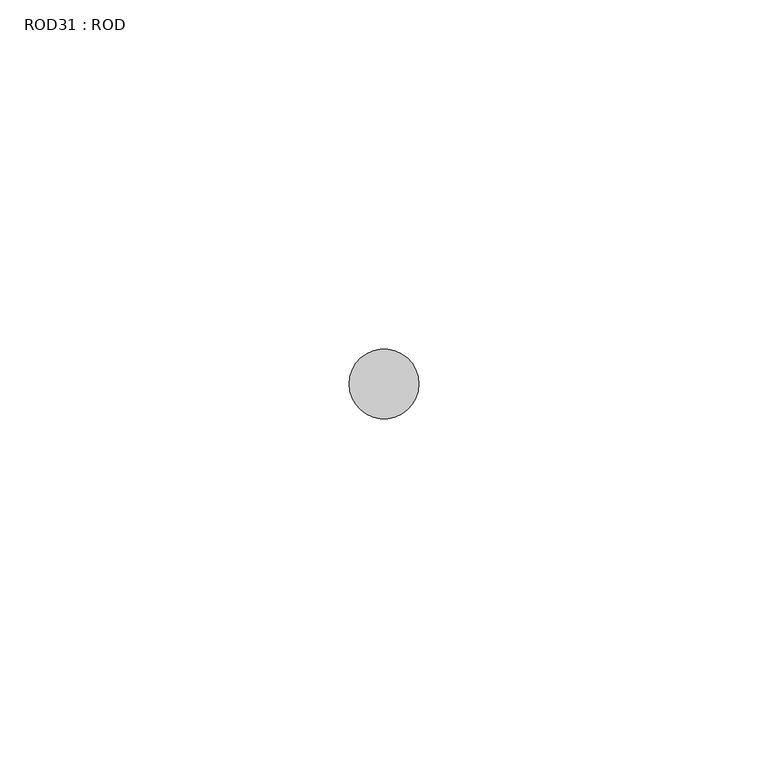
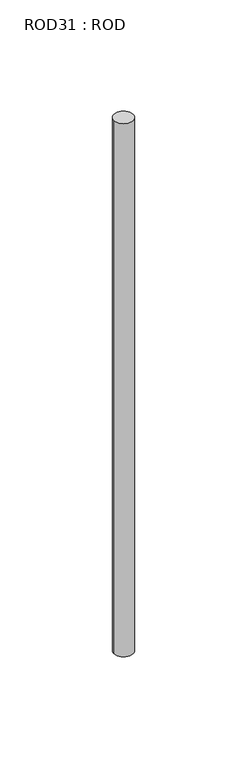
"""IFC4 building model written with IfcOpenShell, lengths in millimetres: proxy geometry, ROD31 : ROD."""

from ifc_helpers import new_model, si_unit, point, frame, frame_2d, origin, place, context, project, spatial, circle_curve, trimmed, segment, composite_curve, outline, extrude, source, transform, mapped, element, save


def rod31_rod_6deb0d0b(model_context):
    return source(origin(), model_context, "Body", "SweptSolid", [
        extrude(outline(composite_curve([segment(trimmed(circle_curve(frame_2d((-1447.2215616, -1114.6300853)), 5.0), [point((-1452.2215616, -1114.6300853))], [point((-1442.2215616, -1114.6300853))], False, "CARTESIAN"), True, "CONTINUOUS"), segment(trimmed(circle_curve(frame_2d((-1447.2215616, -1114.6300853)), 5.0), [point((-1442.2215616, -1114.6300853))], [point((-1452.2215616, -1114.6300853))], False, "CARTESIAN"), True, "CONTINUOUS")], self_intersect=False)), frame((0.0, 0.0, -208.6608845), z_axis=(0.0, 0.0, 1.0), x_axis=(1.0, 0.0, 0.0)), (0.0, 0.0, 1.0), 298.9028972),
    ])


if __name__ == "__main__":
    model = new_model("IFC4")
    model_context = context("Model", 3, world=origin())
    ifc_project = project(units=[si_unit("LENGTHUNIT", "METRE", prefix="MILLI")], contexts=[model_context])
    site = spatial("IfcSite", under=ifc_project)
    building = spatial("IfcBuilding", under=site)
    placement = place(None, origin())
    rod31_rod_shape = rod31_rod_6deb0d0b(model_context)
    element("IfcBuildingElementProxy", 1, Name="ROD31 : ROD", ObjectType="ROD31 : ROD", at=placement, inside=building, context=model_context, shape_type="MappedRepresentation", body=[
        mapped(rod31_rod_shape, transform((0.0, 0.0, 0.0), x_axis=(1.0, 0.0, 0.0), y_axis=(0.0, 1.0, 0.0), z_axis=(0.0, 0.0, 1.0))),
    ])
    save(model, "model.ifc")
